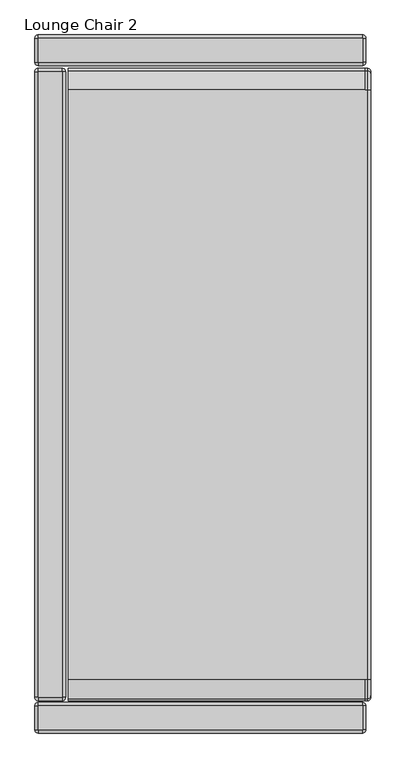
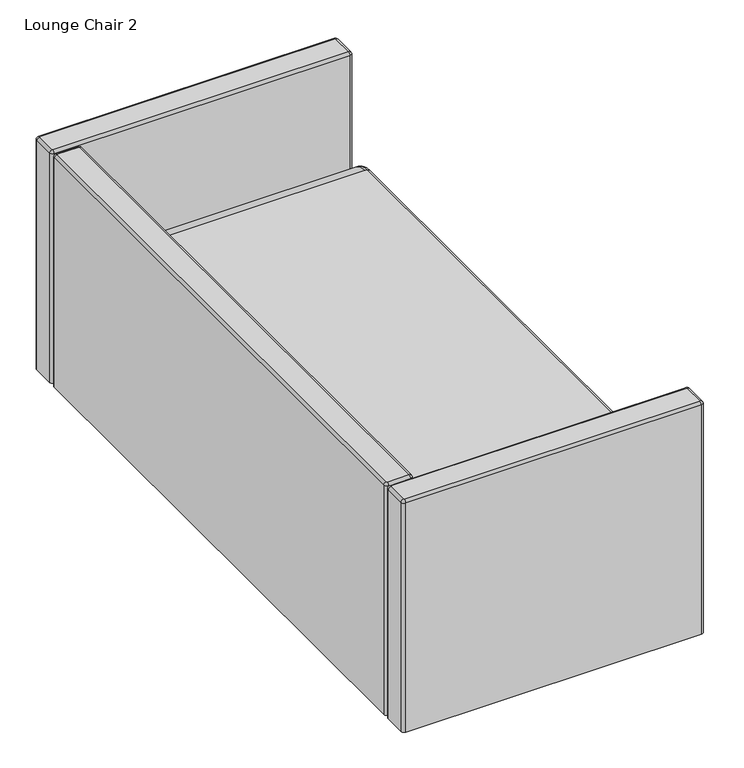
"""IFC4 building model written with IfcOpenShell, lengths in millimetres: furniture geometry, Lounge Chair 2."""

from ifc_helpers import new_model, si_unit, point, frame, origin, place, context, project, spatial, circle_curve, ellipse_curve, trimmed, source, transform, mapped, element, save
from ifc_brep_helpers import plane_surface, cylinder_surface, revolved_surface, advanced_brep


def lounge_chair_2_31a8fdc8(model_context):
    return source(origin(), model_context, "Body", "AdvancedBrep", [
        advanced_brep(
        [(389.2550121, 713.2823208, 380.4601261), (389.2550121, 710.355245, 388.2040831), (389.2550121, 672.6197436, 405.2378073), (389.2550121, -672.6197436, 405.2378073), (389.2550121, -710.355245, 388.2040831), (389.2550121, -713.2823208, 380.4601261), (389.2550121, -713.2823208, 158.4162102), (389.2550121, 713.2823208, 158.4162102), (380.6423692, 716.8145532, 393.9010082), (380.6423692, 721.8949637, 380.4601261), (376.5550121, 721.8949637, 380.4601261), (376.5550121, 716.8145532, 393.9010082), (376.5550121, 672.6197436, 413.8504501), (380.6423692, 672.6197436, 413.8504501), (-301.6249939, 672.6197436, 413.8504501), (-301.6249939, -672.6197436, 413.8504501), (376.5550121, -672.6197436, 413.8504501), (380.6423692, -672.6197436, 413.8504501), (376.5550121, -716.8145532, 393.9010082), (380.6423692, -716.8145532, 393.9010082), (376.5550121, -721.8949637, 380.4601261), (380.6423692, -721.8949637, 380.4601261), (-301.6249939, -721.8949637, 380.4601261), (-301.6249939, -721.8949637, 149.8035673), (380.6423692, -721.8949637, 149.8035673), (-301.6249939, 721.8949637, 149.8035673), (380.6423692, 721.8949637, 149.8035673), (-301.6249939, 721.8949637, 380.4601261), (-301.6249939, 716.8145532, 393.9010082), (-301.6249939, -716.8145532, 393.9010082)],
        [
            (0, 1, circle_curve(frame((389.2550121, 701.5749637, 380.4601261), z_axis=(1.0, 0.0, 0.0), x_axis=(0.0, 1.0, 0.0)), 11.7073571)),
            (1, 2, circle_curve(frame((389.2550121, 672.6197436, 354.9224501), z_axis=(1.0, 0.0, 0.0), x_axis=(0.0, 0.7499797991863966, 0.6614607326306924)), 50.3153571)),
            (2, 3),
            (3, 4, circle_curve(frame((389.2550121, -672.6197436, 354.9224501), z_axis=(1.0, 0.0, 0.0), x_axis=(0.0, 0.0, 1.0)), 50.3153571)),
            (4, 5, circle_curve(frame((389.2550121, -701.5749637, 380.4601261), z_axis=(1.0, 0.0, 0.0), x_axis=(0.0, -0.7499797991905162, 0.6614607326260216)), 11.7073571)),
            (5, 6),
            (6, 7),
            (7, 0),
            (8, 9, circle_curve(frame((380.6423692, 701.5749637, 380.4601261), z_axis=(-1.0, 0.0, 0.0), x_axis=(0.0, 1.0, 0.0)), 20.32)),
            (9, 10),
            (10, 11, circle_curve(frame((376.5550121, 701.5749637, 380.4601261), z_axis=(1.0, 0.0, 0.0), x_axis=(0.0, 1.0, 0.0)), 20.32)),
            (11, 8),
            (8, 1, circle_curve(frame((380.6423692, 710.355245, 388.2040831), z_axis=(0.0, 0.6614607326306858, -0.7499797991864023), x_axis=(0.0, -0.7499797991864023, -0.6614607326306858)), 8.6126429)),
            (0, 9, circle_curve(frame((380.6423692, 713.2823208, 380.4601261), z_axis=(0.0, 0.0, 1.0), x_axis=(0.0, -1.0, 0.0)), 8.6126429)),
            (11, 12, circle_curve(frame((376.5550121, 672.6197436, 354.9224501), z_axis=(1.0, 0.0, 0.0), x_axis=(0.0, 0.7499797991863966, 0.6614607326306924)), 58.928)),
            (12, 13),
            (13, 8, circle_curve(frame((380.6423692, 672.6197436, 354.9224501), z_axis=(-1.0, 0.0, 0.0), x_axis=(0.0, 0.7499797991863966, 0.6614607326306924)), 58.928)),
            (13, 2, circle_curve(frame((380.6423692, 672.6197436, 405.2378073), z_axis=(0.0, 1.0, 0.0), x_axis=(0.0, 0.0, -1.0)), 8.6126429)),
            (12, 14),
            (14, 15),
            (15, 16),
            (16, 17),
            (17, 13),
            (17, 3, circle_curve(frame((380.6423692, -672.6197436, 405.2378073), z_axis=(0.0, 1.0, 0.0), x_axis=(0.0, 0.0, -1.0)), 8.6126429)),
            (16, 18, circle_curve(frame((376.5550121, -672.6197436, 354.9224501), z_axis=(1.0, 0.0, 0.0), x_axis=(0.0, 0.0, 1.0)), 58.928)),
            (18, 19),
            (19, 17, circle_curve(frame((380.6423692, -672.6197436, 354.9224501), z_axis=(-1.0, 0.0, 0.0), x_axis=(0.0, 0.0, 1.0)), 58.928)),
            (19, 4, circle_curve(frame((380.6423692, -710.355245, 388.2040831), z_axis=(0.0, 0.6614607326260119, 0.7499797991905246), x_axis=(0.0, 0.7499797991905246, -0.6614607326260119)), 8.6126429)),
            (18, 20, circle_curve(frame((376.5550121, -701.5749637, 380.4601261), z_axis=(1.0, 0.0, 0.0), x_axis=(0.0, -0.7499797991905162, 0.6614607326260216)), 20.32)),
            (20, 21),
            (21, 19, circle_curve(frame((380.6423692, -701.5749637, 380.4601261), z_axis=(-1.0, 0.0, 0.0), x_axis=(0.0, -0.7499797991905162, 0.6614607326260216)), 20.32)),
            (21, 5, circle_curve(frame((380.6423692, -713.2823208, 380.4601261), z_axis=(0.0, 0.0, 1.0), x_axis=(0.0, 1.0, 0.0)), 8.6126429)),
            (20, 22),
            (22, 23),
            (23, 24),
            (24, 21),
            (24, 6, ellipse_curve(frame((380.6423692, -713.2823208, 158.4162102), z_axis=(0.0, -0.7071067811865474, 0.7071067811865476), x_axis=(0.0, 0.7071067811865475, 0.7071067811865475)), 12.1801164, 8.6126429)),
            (23, 25),
            (25, 26),
            (26, 24),
            (26, 7, ellipse_curve(frame((380.6423692, 713.2823208, 158.4162102), z_axis=(0.0, -0.7071067811865476, -0.7071067811865474), x_axis=(0.0, -0.7071067811865475, 0.7071067811865475)), 12.1801164, 8.6126429)),
            (9, 26),
            (25, 27),
            (27, 10),
            (14, 28, circle_curve(frame((-301.6249939, 672.6197436, 354.9224501), z_axis=(-1.0, 0.0, 0.0), x_axis=(0.0, 1.0, 0.0)), 58.928)),
            (28, 27, circle_curve(frame((-301.6249939, 701.5749637, 380.4601261), z_axis=(-1.0, 0.0, 0.0), x_axis=(0.0, 1.0, 0.0)), 20.32)),
            (22, 29, circle_curve(frame((-301.6249939, -701.5749637, 380.4601261), z_axis=(-1.0, 0.0, 0.0), x_axis=(0.0, 1.0, 0.0)), 20.32)),
            (29, 15, circle_curve(frame((-301.6249939, -672.6197436, 354.9224501), z_axis=(-1.0, 0.0, 0.0), x_axis=(0.0, 1.0, 0.0)), 58.928)),
            (29, 18),
            (28, 11),
        ],
        [
            plane_surface(frame((389.2550121, -626.3917436, 354.9224501), z_axis=(1.0, 0.0, 0.0), x_axis=(0.0, 0.0, 1.0))),
            cylinder_surface(frame((376.5550121, 701.5749637, 380.4601261), z_axis=(1.0, 0.0, 0.0), x_axis=(0.0, 1.0, 0.0)), 20.32),
            revolved_surface(trimmed(ellipse_curve(frame((380.6423692, 713.2823208, 380.4601261), z_axis=(0.0, 0.0, -1.0), x_axis=(0.0, -1.0, 0.0)), 8.6126429, 8.6126429), [point((380.6423692, 721.8949637, 380.4601261))], [point((389.2550121, 713.2823208, 380.4601261))], True, "CARTESIAN"), (376.5550121, 701.5749637, 380.4601261), (1.0, 0.0, 0.0)),
            cylinder_surface(frame((376.5550121, 672.6197436, 354.9224501), z_axis=(1.0, 0.0, 0.0), x_axis=(0.0, 0.7499797991863966, 0.6614607326306924)), 58.928),
            revolved_surface(trimmed(ellipse_curve(frame((380.6423692, 710.355245, 388.2040831), z_axis=(0.0, 0.6614607326306924, -0.7499797991863966), x_axis=(0.0, -0.7499797991863966, -0.6614607326306924)), 8.6126429, 8.6126429), [point((380.6423692, 716.8145532, 393.9010082))], [point((389.2550121, 710.355245, 388.2040831))], True, "CARTESIAN"), (376.5550121, 672.6197436, 354.9224501), (1.0, 0.0, 0.0)),
            plane_surface(frame((376.5550121, 672.6197436, 413.8504501), z_axis=(0.0, 0.0, 1.0), x_axis=(0.0, -1.0, 0.0))),
            cylinder_surface(frame((380.6423692, 672.6197436, 405.2378073), z_axis=(0.0, 1.0, 0.0), x_axis=(0.0, 0.0, -1.0)), 8.6126429),
            cylinder_surface(frame((376.5550121, -672.6197436, 354.9224501), z_axis=(1.0, 0.0, 0.0), x_axis=(0.0, 0.0, 1.0)), 58.928),
            revolved_surface(trimmed(ellipse_curve(frame((380.6423692, -672.6197436, 405.2378073), z_axis=(0.0, 1.0, 0.0), x_axis=(0.0, 0.0, -1.0)), 8.6126429, 8.6126429), [point((380.6423692, -672.6197436, 413.8504501))], [point((389.2550121, -672.6197436, 405.2378073))], True, "CARTESIAN"), (376.5550121, -672.6197436, 354.9224501), (1.0, 0.0, 0.0)),
            cylinder_surface(frame((376.5550121, -701.5749637, 380.4601261), z_axis=(1.0, 0.0, 0.0), x_axis=(0.0, -0.7499797991905162, 0.6614607326260216)), 20.32),
            revolved_surface(trimmed(ellipse_curve(frame((380.6423692, -710.355245, 388.2040831), z_axis=(0.0, 0.6614607326260217, 0.749979799190516), x_axis=(0.0, 0.749979799190516, -0.6614607326260217)), 8.6126429, 8.6126429), [point((380.6423692, -716.8145532, 393.9010082))], [point((389.2550121, -710.355245, 388.2040831))], True, "CARTESIAN"), (376.5550121, -701.5749637, 380.4601261), (1.0, 0.0, 0.0)),
            plane_surface(frame((376.5550121, -721.8949637, 380.4601261), z_axis=(0.0, -1.0, 0.0), x_axis=(0.0, 0.0, -1.0))),
            cylinder_surface(frame((380.6423692, -713.2823208, 380.4601261), z_axis=(0.0, 0.0, 1.0), x_axis=(0.0, 1.0, 0.0)), 8.6126429),
            plane_surface(frame((376.5550121, -721.8949637, 149.8035673), z_axis=(0.0, 0.0, -1.0), x_axis=(0.0, 1.0, 0.0))),
            cylinder_surface(frame((380.6423692, -709.1949637, 158.4162102), z_axis=(0.0, -1.0, 0.0), x_axis=(0.0, 0.0, 1.0)), 8.6126429),
            plane_surface(frame((376.5550121, 721.8949637, 149.8035673), z_axis=(0.0, 1.0, 0.0), x_axis=(0.0, 0.0, 1.0))),
            cylinder_surface(frame((380.6423692, 713.2823208, 162.5035673), z_axis=(0.0, 0.0, -1.0), x_axis=(0.0, -1.0, 0.0)), 8.6126429),
            plane_surface(frame((-301.6249939, -672.6197436, 413.8504501), z_axis=(-1.0, 0.0, 0.0), x_axis=(0.0, 1.0, 0.0))),
            cylinder_surface(frame((-301.6249939, -672.6197436, 354.9224501), z_axis=(1.0, 0.0, 0.0), x_axis=(0.0, 1.0, 0.0)), 58.928),
            cylinder_surface(frame((-301.6249939, -701.5749637, 380.4601261), z_axis=(1.0, 0.0, 0.0), x_axis=(0.0, 1.0, 0.0)), 20.32),
            cylinder_surface(frame((-301.6249939, 701.5749637, 380.4601261), z_axis=(1.0, 0.0, 0.0), x_axis=(0.0, 1.0, 0.0)), 20.32),
            cylinder_surface(frame((-301.6249939, 672.6197436, 354.9224501), z_axis=(1.0, 0.0, 0.0), x_axis=(0.0, 1.0, 0.0)), 58.928),
        ],
        [
            (0, [[1, 2, 3, 4, 5, 6, 7, 8]]),
            (1, [[9, 10, 11, 12]]),
            (2, [[-9, 13, -1, 14]]),
            (3, [[-12, 15, 16, 17]]),
            (4, [[-13, -17, 18, -2]]),
            (5, [[-16, 19, 20, 21, 22, 23]]),
            (6, [[-18, -23, 24, -3]]),
            (7, [[-22, 25, 26, 27]]),
            (8, [[-24, -27, 28, -4]]),
            (9, [[-26, 29, 30, 31]]),
            (10, [[-28, -31, 32, -5]]),
            (11, [[-30, 33, 34, 35, 36]]),
            (12, [[-32, -36, 37, -6]]),
            (13, [[-35, 38, 39, 40]]),
            (14, [[-37, -40, 41, -7]]),
            (15, [[-10, 42, -39, 43, 44]]),
            (16, [[-14, -8, -41, -42]]),
            (17, [[45, 46, -43, -38, -34, 47, 48, -20]]),
            (18, [[-48, 49, -25, -21]]),
            (19, [[-47, -33, -29, -49]]),
            (20, [[-46, 50, -11, -44]]),
            (21, [[-45, -19, -15, -50]]),
        ],
    ),
        advanced_brep(
        [(370.2050121, -789.2049879, 692.15), (370.2050121, -795.5549879, 685.8), (377.8250121, -787.9349879, 685.8), (371.4750121, -787.9349879, 692.15), (377.8250121, -733.3249637, 685.8), (371.4750121, -733.3249637, 692.15), (370.2050121, -725.7049637, 685.8), (370.2050121, -732.0549637, 692.15), (-370.2050121, -725.7049637, 685.8), (-370.2050121, -732.0549637, 692.15), (-377.8250121, -733.3249637, 685.8), (-371.4750121, -733.3249637, 692.15), (-377.8250121, -787.9349879, 685.8), (-371.4750121, -787.9349879, 692.15), (-370.2050121, -795.5549879, 685.8), (-370.2050121, -789.2049879, 692.15), (377.8250121, -787.9349879, 79.374997), (370.2050121, -795.5549879, 79.374997), (-370.2050121, -795.5549879, 79.374997), (-377.8250121, -787.9349879, 79.374997), (-377.8250121, -733.3249637, 79.374997), (-370.2050121, -725.7049637, 79.374997), (370.2050121, -725.7049637, 79.374997), (377.8250121, -733.3249637, 79.374997)],
        [
            (0, 1, circle_curve(frame((370.2050121, -789.2049879, 685.8), z_axis=(1.0, 0.0, 0.0), x_axis=(0.0, 1.0, 0.0)), 6.35)),
            (1, 2, circle_curve(frame((370.2050121, -787.9349879, 685.8), z_axis=(0.0, 0.0, 1.0), x_axis=(0.0, -1.0, 0.0)), 7.62)),
            (2, 3, circle_curve(frame((371.4750121, -787.9349879, 685.8), z_axis=(0.0, -1.0, 0.0), x_axis=(-1.0, 0.0, 0.0)), 6.35)),
            (3, 0, circle_curve(frame((370.2050121, -787.9349879, 692.15), z_axis=(0.0, 0.0, -1.0), x_axis=(0.0, -1.0, 0.0)), 1.27)),
            (2, 4),
            (4, 5, circle_curve(frame((371.4750121, -733.3249637, 685.8), z_axis=(0.0, -1.0, 0.0), x_axis=(-1.0, 0.0, 0.0)), 6.35)),
            (5, 3),
            (4, 6, circle_curve(frame((370.2050121, -733.3249637, 685.8), z_axis=(0.0, 0.0, 1.0), x_axis=(1.0, 0.0, 0.0)), 7.62)),
            (6, 7, circle_curve(frame((370.2050121, -732.0549637, 685.8), z_axis=(1.0, 0.0, 0.0), x_axis=(0.0, -1.0, 0.0)), 6.35)),
            (7, 5, circle_curve(frame((370.2050121, -733.3249637, 692.15), z_axis=(0.0, 0.0, -1.0), x_axis=(1.0, 0.0, 0.0)), 1.27)),
            (6, 8),
            (8, 9, circle_curve(frame((-370.2050121, -732.0549637, 685.8), z_axis=(1.0, 0.0, 0.0), x_axis=(0.0, -1.0, 0.0)), 6.35)),
            (9, 7),
            (8, 10, circle_curve(frame((-370.2050121, -733.3249637, 685.8), z_axis=(0.0, 0.0, 1.0), x_axis=(0.0, 1.0, 0.0)), 7.62)),
            (10, 11, circle_curve(frame((-371.4750121, -733.3249637, 685.8), z_axis=(0.0, 1.0, 0.0), x_axis=(1.0, 0.0, 0.0)), 6.35)),
            (11, 9, circle_curve(frame((-370.2050121, -733.3249637, 692.15), z_axis=(0.0, 0.0, -1.0), x_axis=(0.0, 1.0, 0.0)), 1.27)),
            (10, 12),
            (12, 13, circle_curve(frame((-371.4750121, -787.9349879, 685.8), z_axis=(0.0, 1.0, 0.0), x_axis=(1.0, 0.0, 0.0)), 6.35)),
            (13, 11),
            (12, 14, circle_curve(frame((-370.2050121, -787.9349879, 685.8), z_axis=(0.0, 0.0, 1.0), x_axis=(-1.0, 0.0, 0.0)), 7.62)),
            (14, 15, circle_curve(frame((-370.2050121, -789.2049879, 685.8), z_axis=(-1.0, 0.0, 0.0), x_axis=(0.0, 1.0, 0.0)), 6.35)),
            (15, 13, circle_curve(frame((-370.2050121, -787.9349879, 692.15), z_axis=(0.0, 0.0, -1.0), x_axis=(-1.0, 0.0, 0.0)), 1.27)),
            (0, 15),
            (14, 1),
            (16, 17, circle_curve(frame((370.2050121, -787.9349879, 79.374997), z_axis=(0.0, 0.0, -1.0), x_axis=(1.0, 0.0, 0.0)), 7.62)),
            (17, 18),
            (18, 19, circle_curve(frame((-370.2050121, -787.9349879, 79.374997), z_axis=(0.0, 0.0, -1.0), x_axis=(1.0, 0.0, 0.0)), 7.62)),
            (19, 20),
            (20, 21, circle_curve(frame((-370.2050121, -733.3249637, 79.374997), z_axis=(0.0, 0.0, -1.0), x_axis=(1.0, 0.0, 0.0)), 7.62)),
            (21, 22),
            (22, 23, circle_curve(frame((370.2050121, -733.3249637, 79.374997), z_axis=(0.0, 0.0, -1.0), x_axis=(1.0, 0.0, 0.0)), 7.62)),
            (23, 16),
            (23, 4),
            (2, 16),
            (21, 8),
            (6, 22),
            (19, 12),
            (10, 20),
            (17, 1),
            (14, 18),
        ],
        [
            revolved_surface(trimmed(ellipse_curve(frame((370.2050121, -789.2049879, 685.8), z_axis=(-1.0, 0.0, 0.0), x_axis=(0.0, 1.0, 0.0)), 6.35, 6.35), [point((370.2050121, -795.5549879, 685.8))], [point((370.2050121, -789.2049879, 692.15))], True, "CARTESIAN"), (370.2050121, -787.9349879, 685.8), (0.0, 0.0, 1.0)),
            cylinder_surface(frame((371.4750121, -787.9349879, 685.8), z_axis=(0.0, -1.0, 0.0), x_axis=(-1.0, 0.0, 0.0)), 6.35),
            revolved_surface(trimmed(ellipse_curve(frame((371.4750121, -733.3249637, 685.8), z_axis=(0.0, -1.0, 0.0), x_axis=(-1.0, 0.0, 0.0)), 6.35, 6.35), [point((377.8250121, -733.3249637, 685.8))], [point((371.4750121, -733.3249637, 692.15))], True, "CARTESIAN"), (370.2050121, -733.3249637, 685.8), (0.0, 0.0, 1.0)),
            cylinder_surface(frame((370.2050121, -732.0549637, 685.8), z_axis=(1.0, 0.0, 0.0), x_axis=(0.0, -1.0, 0.0)), 6.35),
            revolved_surface(trimmed(ellipse_curve(frame((-370.2050121, -732.0549637, 685.8), z_axis=(1.0, 0.0, 0.0), x_axis=(0.0, -1.0, 0.0)), 6.35, 6.35), [point((-370.2050121, -725.7049637, 685.8))], [point((-370.2050121, -732.0549637, 692.15))], True, "CARTESIAN"), (-370.2050121, -733.3249637, 685.8), (0.0, 0.0, 1.0)),
            cylinder_surface(frame((-371.4750121, -733.3249637, 685.8), z_axis=(0.0, 1.0, 0.0), x_axis=(1.0, 0.0, 0.0)), 6.35),
            revolved_surface(trimmed(ellipse_curve(frame((-371.4750121, -787.9349879, 685.8), z_axis=(0.0, 1.0, 0.0), x_axis=(1.0, 0.0, 0.0)), 6.35, 6.35), [point((-377.8250121, -787.9349879, 685.8))], [point((-371.4750121, -787.9349879, 692.15))], True, "CARTESIAN"), (-370.2050121, -787.9349879, 685.8), (0.0, 0.0, 1.0)),
            cylinder_surface(frame((-370.2050121, -789.2049879, 685.8), z_axis=(-1.0, 0.0, 0.0), x_axis=(0.0, 1.0, 0.0)), 6.35),
            plane_surface(frame((377.8250121, 790.4749637, 79.374997), z_axis=(0.0, 0.0, -1.0), x_axis=(0.0, -1.0, 0.0))),
            plane_surface(frame((377.8250121, -787.9349879, 685.8), z_axis=(1.0, 0.0, 0.0), x_axis=(0.0, 0.0, -1.0))),
            plane_surface(frame((370.2050121, -725.7049637, 685.8), z_axis=(0.0, 1.0, 0.0), x_axis=(0.0, 0.0, -1.0))),
            plane_surface(frame((-377.8250121, -733.3249637, 685.8), z_axis=(-1.0, 0.0, 0.0), x_axis=(0.0, 0.0, -1.0))),
            plane_surface(frame((-370.2050121, -795.5549879, 685.8), z_axis=(0.0, -1.0, 0.0), x_axis=(0.0, 0.0, -1.0))),
            cylinder_surface(frame((370.2050121, -733.3249637, 0.0), z_axis=(0.0, 0.0, 1.0), x_axis=(1.0, 0.0, 0.0)), 7.62),
            cylinder_surface(frame((-370.2050121, -733.3249637, 0.0), z_axis=(0.0, 0.0, 1.0), x_axis=(1.0, 0.0, 0.0)), 7.62),
            cylinder_surface(frame((-370.2050121, -787.9349879, 0.0), z_axis=(0.0, 0.0, 1.0), x_axis=(1.0, 0.0, 0.0)), 7.62),
            cylinder_surface(frame((370.2050121, -787.9349879, 0.0), z_axis=(0.0, 0.0, 1.0), x_axis=(1.0, 0.0, 0.0)), 7.62),
            plane_surface(frame((-368.9350121, -787.9349879, 692.15), z_axis=(0.0, 0.0, 1.0), x_axis=(0.0, 1.0, 0.0))),
        ],
        [
            (0, [[1, 2, 3, 4]]),
            (1, [[-3, 5, 6, 7]]),
            (2, [[-6, 8, 9, 10]]),
            (3, [[-9, 11, 12, 13]]),
            (4, [[-12, 14, 15, 16]]),
            (5, [[-15, 17, 18, 19]]),
            (6, [[-18, 20, 21, 22]]),
            (7, [[-1, 23, -21, 24]]),
            (8, [[25, 26, 27, 28, 29, 30, 31, 32]]),
            (9, [[-32, 33, -5, 34]]),
            (10, [[-30, 35, -11, 36]]),
            (11, [[-28, 37, -17, 38]]),
            (12, [[-26, 39, -24, 40]]),
            (13, [[-31, -36, -8, -33]]),
            (14, [[-29, -38, -14, -35]]),
            (15, [[-27, -40, -20, -37]]),
            (16, [[-25, -34, -2, -39]]),
            (17, [[-4, -7, -10, -13, -16, -19, -22, -23]]),
        ],
    ),
        advanced_brep(
        [(377.8250121, 790.4749637, 79.374997), (377.8250121, 735.8649394, 79.374997), (370.2050121, 728.2449394, 79.374997), (-370.2050121, 728.2449394, 79.374997), (-377.8250121, 735.8649394, 79.374997), (-377.8250121, 790.4749637, 79.374997), (-370.2050121, 798.0949637, 79.374997), (370.2050121, 798.0949637, 79.374997), (-370.2050121, 798.0949637, 685.8), (370.2050121, 798.0949637, 685.8), (-377.8250121, 735.8649394, 685.8), (-377.8250121, 790.4749637, 685.8), (370.2050121, 728.2449394, 685.8), (-370.2050121, 728.2449394, 685.8), (377.8250121, 790.4749637, 685.8), (377.8250121, 735.8649394, 685.8), (371.4750121, 790.4749637, 692.15), (370.2050121, 791.7449637, 692.15), (-370.2050121, 791.7449637, 692.15), (-371.4750121, 790.4749637, 692.15), (-371.4750121, 735.8649394, 692.15), (-370.2050121, 734.5949394, 692.15), (370.2050121, 734.5949394, 692.15), (371.4750121, 735.8649394, 692.15)],
        [
            (0, 1),
            (1, 2, circle_curve(frame((370.2050121, 735.8649394, 79.374997), z_axis=(0.0, 0.0, -1.0), x_axis=(1.0, 0.0, 0.0)), 7.62)),
            (2, 3),
            (3, 4, circle_curve(frame((-370.2050121, 735.8649394, 79.374997), z_axis=(0.0, 0.0, -1.0), x_axis=(1.0, 0.0, 0.0)), 7.62)),
            (4, 5),
            (5, 6, circle_curve(frame((-370.2050121, 790.4749637, 79.374997), z_axis=(0.0, 0.0, -1.0), x_axis=(1.0, 0.0, 0.0)), 7.62)),
            (6, 7),
            (7, 0, circle_curve(frame((370.2050121, 790.4749637, 79.374997), z_axis=(0.0, 0.0, -1.0), x_axis=(1.0, 0.0, 0.0)), 7.62)),
            (6, 8),
            (8, 9),
            (9, 7),
            (4, 10),
            (10, 11),
            (11, 5),
            (2, 12),
            (12, 13),
            (13, 3),
            (0, 14),
            (14, 15),
            (15, 1),
            (9, 14, circle_curve(frame((370.2050121, 790.4749637, 685.8), z_axis=(0.0, 0.0, -1.0), x_axis=(1.0, 0.0, 0.0)), 7.62)),
            (11, 8, circle_curve(frame((-370.2050121, 790.4749637, 685.8), z_axis=(0.0, 0.0, -1.0), x_axis=(1.0, 0.0, 0.0)), 7.62)),
            (13, 10, circle_curve(frame((-370.2050121, 735.8649394, 685.8), z_axis=(0.0, 0.0, -1.0), x_axis=(1.0, 0.0, 0.0)), 7.62)),
            (15, 12, circle_curve(frame((370.2050121, 735.8649394, 685.8), z_axis=(0.0, 0.0, -1.0), x_axis=(1.0, 0.0, 0.0)), 7.62)),
            (16, 14, circle_curve(frame((371.4750121, 790.4749637, 685.8), z_axis=(0.0, 1.0, 0.0), x_axis=(-1.0, 0.0, 0.0)), 6.35)),
            (9, 17, circle_curve(frame((370.2050121, 791.7449637, 685.8), z_axis=(1.0, 0.0, 0.0), x_axis=(0.0, -1.0, 0.0)), 6.35)),
            (17, 16, circle_curve(frame((370.2050121, 790.4749637, 692.15), z_axis=(0.0, 0.0, -1.0), x_axis=(1.0, 0.0, 0.0)), 1.27)),
            (8, 18, circle_curve(frame((-370.2050121, 791.7449637, 685.8), z_axis=(1.0, 0.0, 0.0), x_axis=(0.0, -1.0, 0.0)), 6.35)),
            (18, 17),
            (11, 19, circle_curve(frame((-371.4750121, 790.4749637, 685.8), z_axis=(0.0, 1.0, 0.0), x_axis=(1.0, 0.0, 0.0)), 6.35)),
            (19, 18, circle_curve(frame((-370.2050121, 790.4749637, 692.15), z_axis=(0.0, 0.0, -1.0), x_axis=(0.0, 1.0, 0.0)), 1.27)),
            (10, 20, circle_curve(frame((-371.4750121, 735.8649394, 685.8), z_axis=(0.0, 1.0, 0.0), x_axis=(1.0, 0.0, 0.0)), 6.35)),
            (20, 19),
            (13, 21, circle_curve(frame((-370.2050121, 734.5949394, 685.8), z_axis=(-1.0, 0.0, 0.0), x_axis=(0.0, 1.0, 0.0)), 6.35)),
            (21, 20, circle_curve(frame((-370.2050121, 735.8649394, 692.15), z_axis=(0.0, 0.0, -1.0), x_axis=(-1.0, 0.0, 0.0)), 1.27)),
            (12, 22, circle_curve(frame((370.2050121, 734.5949394, 685.8), z_axis=(-1.0, 0.0, 0.0), x_axis=(0.0, 1.0, 0.0)), 6.35)),
            (22, 21),
            (15, 23, circle_curve(frame((371.4750121, 735.8649394, 685.8), z_axis=(0.0, -1.0, 0.0), x_axis=(-1.0, 0.0, 0.0)), 6.35)),
            (23, 22, circle_curve(frame((370.2050121, 735.8649394, 692.15), z_axis=(0.0, 0.0, -1.0), x_axis=(0.0, -1.0, 0.0)), 1.27)),
            (16, 23),
        ],
        [
            plane_surface(frame((377.8250121, 790.4749637, 79.374997), z_axis=(0.0, 0.0, -1.0), x_axis=(0.0, -1.0, 0.0))),
            plane_surface(frame((370.2050121, 798.0949637, 685.8), z_axis=(0.0, 1.0, 0.0), x_axis=(0.0, 0.0, -1.0))),
            plane_surface(frame((-377.8250121, 790.4749637, 685.8), z_axis=(-1.0, 0.0, 0.0), x_axis=(0.0, 0.0, -1.0))),
            plane_surface(frame((-370.2050121, 728.2449394, 685.8), z_axis=(0.0, -1.0, 0.0), x_axis=(0.0, 0.0, -1.0))),
            plane_surface(frame((377.8250121, 735.8649394, 685.8), z_axis=(1.0, 0.0, 0.0), x_axis=(0.0, 0.0, -1.0))),
            cylinder_surface(frame((370.2050121, 790.4749637, 79.374997), z_axis=(0.0, 0.0, 1.0), x_axis=(1.0, 0.0, 0.0)), 7.62),
            cylinder_surface(frame((-370.2050121, 790.4749637, 79.374997), z_axis=(0.0, 0.0, 1.0), x_axis=(1.0, 0.0, 0.0)), 7.62),
            cylinder_surface(frame((-370.2050121, 735.8649394, 79.374997), z_axis=(0.0, 0.0, 1.0), x_axis=(1.0, 0.0, 0.0)), 7.62),
            cylinder_surface(frame((370.2050121, 735.8649394, 79.374997), z_axis=(0.0, 0.0, 1.0), x_axis=(1.0, 0.0, 0.0)), 7.62),
            revolved_surface(trimmed(ellipse_curve(frame((371.4750121, 790.4749637, 685.8), z_axis=(0.0, -1.0, 0.0), x_axis=(-1.0, 0.0, 0.0)), 6.35, 6.35), [point((377.8250121, 790.4749637, 685.8))], [point((371.4750121, 790.4749637, 692.15))], True, "CARTESIAN"), (370.2050121, 790.4749637, 685.8), (0.0, 0.0, 1.0)),
            cylinder_surface(frame((370.2050121, 791.7449637, 685.8), z_axis=(1.0, 0.0, 0.0), x_axis=(0.0, -1.0, 0.0)), 6.35),
            revolved_surface(trimmed(ellipse_curve(frame((-370.2050121, 791.7449637, 685.8), z_axis=(1.0, 0.0, 0.0), x_axis=(0.0, -1.0, 0.0)), 6.35, 6.35), [point((-370.2050121, 798.0949637, 685.8))], [point((-370.2050121, 791.7449637, 692.15))], True, "CARTESIAN"), (-370.2050121, 790.4749637, 685.8), (0.0, 0.0, 1.0)),
            cylinder_surface(frame((-371.4750121, 790.4749637, 685.8), z_axis=(0.0, 1.0, 0.0), x_axis=(1.0, 0.0, 0.0)), 6.35),
            revolved_surface(trimmed(ellipse_curve(frame((-371.4750121, 735.8649394, 685.8), z_axis=(0.0, 1.0, 0.0), x_axis=(1.0, 0.0, 0.0)), 6.35, 6.35), [point((-377.8250121, 735.8649394, 685.8))], [point((-371.4750121, 735.8649394, 692.15))], True, "CARTESIAN"), (-370.2050121, 735.8649394, 685.8), (0.0, 0.0, 1.0)),
            cylinder_surface(frame((-370.2050121, 734.5949394, 685.8), z_axis=(-1.0, 0.0, 0.0), x_axis=(0.0, 1.0, 0.0)), 6.35),
            revolved_surface(trimmed(ellipse_curve(frame((370.2050121, 734.5949394, 685.8), z_axis=(-1.0, 0.0, 0.0), x_axis=(0.0, 1.0, 0.0)), 6.35, 6.35), [point((370.2050121, 728.2449394, 685.8))], [point((370.2050121, 734.5949394, 692.15))], True, "CARTESIAN"), (370.2050121, 735.8649394, 685.8), (0.0, 0.0, 1.0)),
            cylinder_surface(frame((371.4750121, 735.8649394, 685.8), z_axis=(0.0, -1.0, 0.0), x_axis=(-1.0, 0.0, 0.0)), 6.35),
            plane_surface(frame((371.4750121, 735.8649394, 692.15), z_axis=(0.0, 0.0, 1.0), x_axis=(0.0, 1.0, 0.0))),
        ],
        [
            (0, [[1, 2, 3, 4, 5, 6, 7, 8]]),
            (1, [[-7, 9, 10, 11]]),
            (2, [[-5, 12, 13, 14]]),
            (3, [[-3, 15, 16, 17]]),
            (4, [[-1, 18, 19, 20]]),
            (5, [[-8, -11, 21, -18]]),
            (6, [[-6, -14, 22, -9]]),
            (7, [[-4, -17, 23, -12]]),
            (8, [[-2, -20, 24, -15]]),
            (9, [[25, -21, 26, 27]]),
            (10, [[-26, -10, 28, 29]]),
            (11, [[-28, -22, 30, 31]]),
            (12, [[-30, -13, 32, 33]]),
            (13, [[-32, -23, 34, 35]]),
            (14, [[-34, -16, 36, 37]]),
            (15, [[-36, -24, 38, 39]]),
            (16, [[-25, 40, -38, -19]]),
            (17, [[-27, -29, -31, -33, -35, -37, -39, -40]]),
        ],
    ),
        advanced_brep(
        [(-370.2050121, -721.8949637, 79.374997), (-377.8250121, -714.2749637, 79.374997), (-377.8250121, 714.2749637, 79.374997), (-370.2050121, 721.8949637, 79.374997), (-315.5949879, 721.8949637, 79.374997), (-307.9749879, 714.2749637, 79.374997), (-307.9749879, -714.2749637, 79.374997), (-315.5949879, -721.8949637, 79.374997), (-315.5949879, -721.8949637, 685.8), (-370.2050121, -721.8949637, 685.8), (-307.9749879, 714.2749637, 685.8), (-307.9749879, -714.2749637, 685.8), (-370.2050121, 721.8949637, 685.8), (-315.5949879, 721.8949637, 685.8), (-377.8250121, -714.2749637, 685.8), (-377.8250121, 714.2749637, 685.8), (-371.4750121, -714.2749637, 692.15), (-370.2050121, -715.5449637, 692.15), (-315.5949879, -715.5449637, 692.15), (-314.3249879, -714.2749637, 692.15), (-314.3249879, 714.2749637, 692.15), (-315.5949879, 715.5449637, 692.15), (-370.2050121, 715.5449637, 692.15), (-371.4750121, 714.2749637, 692.15)],
        [
            (0, 1, circle_curve(frame((-370.2050121, -714.2749637, 79.374997), z_axis=(0.0, 0.0, -1.0), x_axis=(1.0, 0.0, 0.0)), 7.62)),
            (1, 2),
            (2, 3, circle_curve(frame((-370.2050121, 714.2749637, 79.374997), z_axis=(0.0, 0.0, -1.0), x_axis=(1.0, 0.0, 0.0)), 7.62)),
            (3, 4),
            (4, 5, circle_curve(frame((-315.5949879, 714.2749637, 79.374997), z_axis=(0.0, 0.0, -1.0), x_axis=(1.0, 0.0, 0.0)), 7.62)),
            (5, 6),
            (6, 7, circle_curve(frame((-315.5949879, -714.2749637, 79.374997), z_axis=(0.0, 0.0, -1.0), x_axis=(1.0, 0.0, 0.0)), 7.62)),
            (7, 0),
            (7, 8),
            (8, 9),
            (9, 0),
            (5, 10),
            (10, 11),
            (11, 6),
            (3, 12),
            (12, 13),
            (13, 4),
            (1, 14),
            (14, 15),
            (15, 2),
            (11, 8, circle_curve(frame((-315.5949879, -714.2749637, 685.8), z_axis=(0.0, 0.0, -1.0), x_axis=(1.0, 0.0, 0.0)), 7.62)),
            (13, 10, circle_curve(frame((-315.5949879, 714.2749637, 685.8), z_axis=(0.0, 0.0, -1.0), x_axis=(1.0, 0.0, 0.0)), 7.62)),
            (15, 12, circle_curve(frame((-370.2050121, 714.2749637, 685.8), z_axis=(0.0, 0.0, -1.0), x_axis=(1.0, 0.0, 0.0)), 7.62)),
            (9, 14, circle_curve(frame((-370.2050121, -714.2749637, 685.8), z_axis=(0.0, 0.0, -1.0), x_axis=(1.0, 0.0, 0.0)), 7.62)),
            (16, 14, circle_curve(frame((-371.4750121, -714.2749637, 685.8), z_axis=(0.0, -1.0, 0.0), x_axis=(1.0, 0.0, 0.0)), 6.35)),
            (9, 17, circle_curve(frame((-370.2050121, -715.5449637, 685.8), z_axis=(-1.0, 0.0, 0.0), x_axis=(0.0, 1.0, 0.0)), 6.35)),
            (17, 16, circle_curve(frame((-370.2050121, -714.2749637, 692.15), z_axis=(0.0, 0.0, -1.0), x_axis=(-1.0, 0.0, 0.0)), 1.27)),
            (8, 18, circle_curve(frame((-315.5949879, -715.5449637, 685.8), z_axis=(-1.0, 0.0, 0.0), x_axis=(0.0, 1.0, 0.0)), 6.35)),
            (18, 17),
            (11, 19, circle_curve(frame((-314.3249879, -714.2749637, 685.8), z_axis=(0.0, -1.0, 0.0), x_axis=(-1.0, 0.0, 0.0)), 6.35)),
            (19, 18, circle_curve(frame((-315.5949879, -714.2749637, 692.15), z_axis=(0.0, 0.0, -1.0), x_axis=(0.0, -1.0, 0.0)), 1.27)),
            (10, 20, circle_curve(frame((-314.3249879, 714.2749637, 685.8), z_axis=(0.0, -1.0, 0.0), x_axis=(-1.0, 0.0, 0.0)), 6.35)),
            (20, 19),
            (13, 21, circle_curve(frame((-315.5949879, 715.5449637, 685.8), z_axis=(1.0, 0.0, 0.0), x_axis=(0.0, -1.0, 0.0)), 6.35)),
            (21, 20, circle_curve(frame((-315.5949879, 714.2749637, 692.15), z_axis=(0.0, 0.0, -1.0), x_axis=(1.0, 0.0, 0.0)), 1.27)),
            (12, 22, circle_curve(frame((-370.2050121, 715.5449637, 685.8), z_axis=(1.0, 0.0, 0.0), x_axis=(0.0, -1.0, 0.0)), 6.35)),
            (22, 21),
            (15, 23, circle_curve(frame((-371.4750121, 714.2749637, 685.8), z_axis=(0.0, 1.0, 0.0), x_axis=(1.0, 0.0, 0.0)), 6.35)),
            (23, 22, circle_curve(frame((-370.2050121, 714.2749637, 692.15), z_axis=(0.0, 0.0, -1.0), x_axis=(0.0, 1.0, 0.0)), 1.27)),
            (16, 23),
        ],
        [
            plane_surface(frame((377.8250121, 790.4749637, 79.374997), z_axis=(0.0, 0.0, -1.0), x_axis=(0.0, -1.0, 0.0))),
            plane_surface(frame((-370.2050121, -721.8949637, 685.8), z_axis=(0.0, -1.0, 0.0), x_axis=(0.0, 0.0, -1.0))),
            plane_surface(frame((-307.9749879, -714.2749637, 685.8), z_axis=(1.0, 0.0, 0.0), x_axis=(0.0, 0.0, -1.0))),
            plane_surface(frame((-315.5949879, 721.8949637, 685.8), z_axis=(0.0, 1.0, 0.0), x_axis=(0.0, 0.0, -1.0))),
            plane_surface(frame((-377.8250121, 714.2749637, 685.8), z_axis=(-1.0, 0.0, 0.0), x_axis=(0.0, 0.0, -1.0))),
            cylinder_surface(frame((-315.5949879, -714.2749637, 0.0), z_axis=(0.0, 0.0, 1.0), x_axis=(1.0, 0.0, 0.0)), 7.62),
            cylinder_surface(frame((-315.5949879, 714.2749637, 0.0), z_axis=(0.0, 0.0, 1.0), x_axis=(1.0, 0.0, 0.0)), 7.62),
            cylinder_surface(frame((-370.2050121, 714.2749637, 0.0), z_axis=(0.0, 0.0, 1.0), x_axis=(1.0, 0.0, 0.0)), 7.62),
            cylinder_surface(frame((-370.2050121, -714.2749637, 0.0), z_axis=(0.0, 0.0, 1.0), x_axis=(1.0, 0.0, 0.0)), 7.62),
            revolved_surface(trimmed(ellipse_curve(frame((-371.4750121, -714.2749637, 685.8), z_axis=(0.0, 1.0, 0.0), x_axis=(1.0, 0.0, 0.0)), 6.35, 6.35), [point((-377.8250121, -714.2749637, 685.8))], [point((-371.4750121, -714.2749637, 692.15))], True, "CARTESIAN"), (-370.2050121, -714.2749637, 685.8), (0.0, 0.0, 1.0)),
            cylinder_surface(frame((-370.2050121, -715.5449637, 685.8), z_axis=(-1.0, 0.0, 0.0), x_axis=(0.0, 1.0, 0.0)), 6.35),
            revolved_surface(trimmed(ellipse_curve(frame((-315.5949879, -715.5449637, 685.8), z_axis=(-1.0, 0.0, 0.0), x_axis=(0.0, 1.0, 0.0)), 6.35, 6.35), [point((-315.5949879, -721.8949637, 685.8))], [point((-315.5949879, -715.5449637, 692.15))], True, "CARTESIAN"), (-315.5949879, -714.2749637, 685.8), (0.0, 0.0, 1.0)),
            cylinder_surface(frame((-314.3249879, -714.2749637, 685.8), z_axis=(0.0, -1.0, 0.0), x_axis=(-1.0, 0.0, 0.0)), 6.35),
            revolved_surface(trimmed(ellipse_curve(frame((-314.3249879, 714.2749637, 685.8), z_axis=(0.0, -1.0, 0.0), x_axis=(-1.0, 0.0, 0.0)), 6.35, 6.35), [point((-307.9749879, 714.2749637, 685.8))], [point((-314.3249879, 714.2749637, 692.15))], True, "CARTESIAN"), (-315.5949879, 714.2749637, 685.8), (0.0, 0.0, 1.0)),
            cylinder_surface(frame((-315.5949879, 715.5449637, 685.8), z_axis=(1.0, 0.0, 0.0), x_axis=(0.0, -1.0, 0.0)), 6.35),
            revolved_surface(trimmed(ellipse_curve(frame((-370.2050121, 715.5449637, 685.8), z_axis=(1.0, 0.0, 0.0), x_axis=(0.0, -1.0, 0.0)), 6.35, 6.35), [point((-370.2050121, 721.8949637, 685.8))], [point((-370.2050121, 715.5449637, 692.15))], True, "CARTESIAN"), (-370.2050121, 714.2749637, 685.8), (0.0, 0.0, 1.0)),
            cylinder_surface(frame((-371.4750121, 714.2749637, 685.8), z_axis=(0.0, 1.0, 0.0), x_axis=(1.0, 0.0, 0.0)), 6.35),
            plane_surface(frame((-368.9350121, -714.2749637, 692.15), z_axis=(0.0, 0.0, 1.0), x_axis=(0.0, 1.0, 0.0))),
        ],
        [
            (0, [[1, 2, 3, 4, 5, 6, 7, 8]]),
            (1, [[-8, 9, 10, 11]]),
            (2, [[-6, 12, 13, 14]]),
            (3, [[-4, 15, 16, 17]]),
            (4, [[-2, 18, 19, 20]]),
            (5, [[-7, -14, 21, -9]]),
            (6, [[-5, -17, 22, -12]]),
            (7, [[-3, -20, 23, -15]]),
            (8, [[-1, -11, 24, -18]]),
            (9, [[25, -24, 26, 27]]),
            (10, [[-26, -10, 28, 29]]),
            (11, [[-28, -21, 30, 31]]),
            (12, [[-30, -13, 32, 33]]),
            (13, [[-32, -22, 34, 35]]),
            (14, [[-34, -16, 36, 37]]),
            (15, [[-36, -23, 38, 39]]),
            (16, [[-25, 40, -38, -19]]),
            (17, [[-27, -29, -31, -33, -35, -37, -39, -40]]),
        ],
    ),
    ])


if __name__ == "__main__":
    model = new_model("IFC4")
    model_context = context("Model", 3, world=origin())
    ifc_project = project(units=[si_unit("LENGTHUNIT", "METRE", prefix="MILLI")], contexts=[model_context])
    site = spatial("IfcSite", under=ifc_project)
    building = spatial("IfcBuilding", under=site)
    placement = place(None, origin())
    lounge_chair_2_shape = lounge_chair_2_31a8fdc8(model_context)
    element("IfcFurniture", 1, ObjectType="Lounge Chair 2", at=placement, inside=building, context=model_context, shape_type="MappedRepresentation", body=[
        mapped(lounge_chair_2_shape, transform((0.0, 0.0, 0.0), x_axis=(1.0, 0.0, 0.0), y_axis=(0.0, 1.0, 0.0), z_axis=(0.0, 0.0, 1.0))),
    ])
    save(model, "model.ifc")
